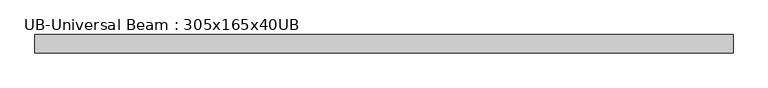
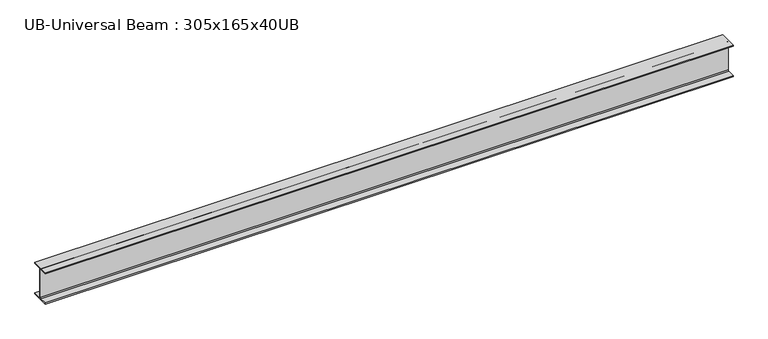
"""IFC4 building model written with IfcOpenShell, lengths in millimetres: beam geometry, UB-Universal Beam : 305x165x40UB."""

from ifc_helpers import new_model, si_unit, point, frame, frame_2d, origin, place, context, project, spatial, polyline, circle_curve, trimmed, segment, composite_curve, outline, extrude, source, transform, mapped, element, save


def ub_universal_beam_305x165x40ub_cd5c8dca(model_context):
    return source(origin(), model_context, "Body", "SweptSolid", [
        extrude(outline(composite_curve([segment(polyline([(82.5, -141.5), (82.5, -151.7), (-82.5, -151.7), (-82.5, -141.5), (-11.9, -141.5)]), True, "CONTINUOUS"), segment(trimmed(circle_curve(frame_2d((-11.9, -132.6)), 8.9), [point((-11.9, -141.5))], [point((-3.0, -132.6))], True, "CARTESIAN"), True, "CONTINUOUS"), segment(polyline([(-3.0, -132.6), (-3.0, 132.6)]), True, "CONTINUOUS"), segment(trimmed(circle_curve(frame_2d((-11.9, 132.6)), 8.9), [point((-3.0, 132.6))], [point((-11.9, 141.5))], True, "CARTESIAN"), True, "CONTINUOUS"), segment(polyline([(-11.9, 141.5), (-82.5, 141.5), (-82.5, 151.7), (82.5, 151.7), (82.5, 141.5), (11.9, 141.5)]), True, "CONTINUOUS"), segment(trimmed(circle_curve(frame_2d((11.9, 132.6)), 8.9), [point((11.9, 141.5))], [point((3.0, 132.6))], True, "CARTESIAN"), True, "CONTINUOUS"), segment(polyline([(3.0, 132.6), (3.0, -132.6)]), True, "CONTINUOUS"), segment(trimmed(circle_curve(frame_2d((11.9, -132.6)), 8.9), [point((3.0, -132.6))], [point((11.9, -141.5))], True, "CARTESIAN"), True, "CONTINUOUS"), segment(polyline([(11.9, -141.5), (82.5, -141.5)]), True, "CONTINUOUS")], self_intersect=False)), frame((-3135.9223573, 0.0, 0.0), z_axis=(1.0, 0.0, 0.0), x_axis=(0.0, 1.0, 0.0)), (0.0, 0.0, 1.0), 6271.8447146),
    ])


if __name__ == "__main__":
    model = new_model("IFC4")
    model_context = context("Model", 3, world=origin())
    ifc_project = project(units=[si_unit("LENGTHUNIT", "METRE", prefix="MILLI")], contexts=[model_context])
    site = spatial("IfcSite", under=ifc_project)
    building = spatial("IfcBuilding", under=site)
    placement = place(None, origin())
    ub_universal_beam_305x165x40ub_shape = ub_universal_beam_305x165x40ub_cd5c8dca(model_context)
    element("IfcBeam", 1, ObjectType="UB-Universal Beam : 305x165x40UB", at=placement, inside=building, context=model_context, shape_type="MappedRepresentation", body=[
        mapped(ub_universal_beam_305x165x40ub_shape, transform((0.0, 0.0, 0.0), x_axis=(1.0, 0.0, 0.0), y_axis=(0.0, 1.0, 0.0), z_axis=(0.0, 0.0, 1.0))),
    ])
    save(model, "model.ifc")
